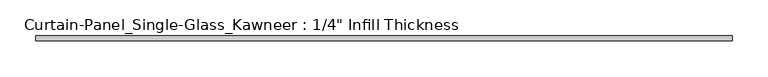
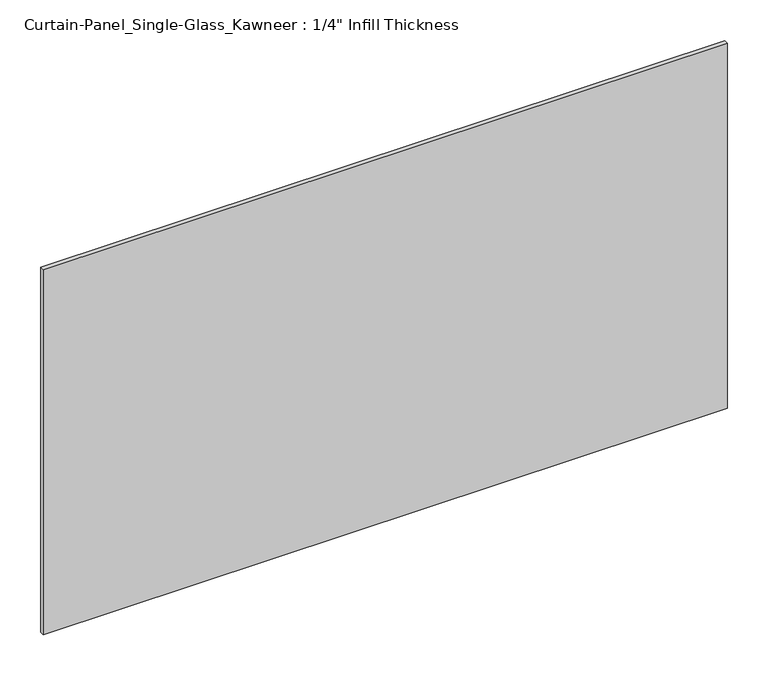
"""IFC4 building model written with IfcOpenShell, lengths in millimetres: plate geometry."""

from ifc_helpers import new_model, si_unit, origin, origin_with_axes, place, context, project, spatial, polyline, outline, extrude, source, transform, mapped, element, save


def plate_8471d94e(model_context):
    return source(origin(), model_context, "Body", "SweptSolid", [
        extrude(outline(polyline([(483.87, -3.175), (-483.87, -3.175), (-483.87, 3.175), (483.87, 3.175), (483.87, -3.175)])), origin_with_axes(), (0.0, 0.0, 1.0), 546.1),
    ])


if __name__ == "__main__":
    model = new_model("IFC4")
    model_context = context("Model", 3, world=origin())
    ifc_project = project(units=[si_unit("LENGTHUNIT", "METRE", prefix="MILLI")], contexts=[model_context])
    site = spatial("IfcSite", under=ifc_project)
    building = spatial("IfcBuilding", under=site)
    placement = place(None, origin())
    plate_shape = plate_8471d94e(model_context)
    element("IfcPlate", 1, ObjectType="Curtain-Panel_Single-Glass_Kawneer : 1/4\" Infill Thickness", at=placement, inside=building, context=model_context, shape_type="MappedRepresentation", body=[
        mapped(plate_shape, transform((0.0, 0.0, 0.0), x_axis=(1.0, 0.0, 0.0), y_axis=(0.0, 1.0, 0.0), z_axis=(0.0, 0.0, 1.0))),
    ])
    save(model, "model.ifc")
